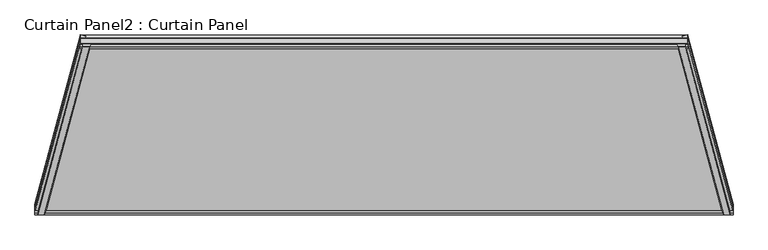
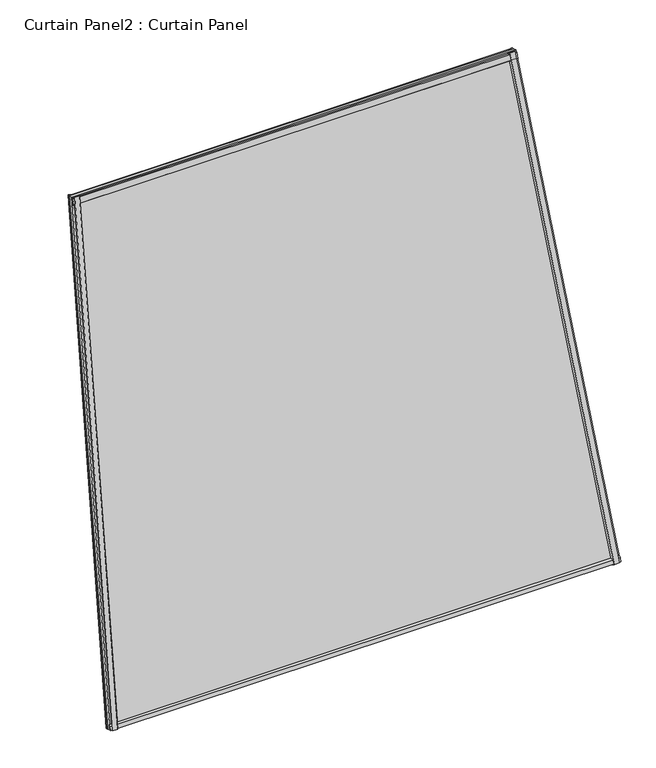
"""IFC4 building model written with IfcOpenShell, lengths in millimetres: plate geometry, Curtain Panel2 : Curtain Panel."""

from ifc_helpers import new_model, si_unit, frame, origin, place, context, project, spatial, polyline, outline, extrude, source, transform, mapped, element, save


def curtain_panel2_curtain_panel_ef3d8980(model_context):
    return source(origin(), model_context, "Body", "SweptSolid", [
        extrude(outline(polyline([(22.2919093, -5.9169736), (22.300702, -21.0371164), (17.5121094, -24.1270368), (17.5121093, -5.9197532), (22.2919093, -5.9169736)])), frame((-11431.7854007, -16628.1944638, 980.3279056), z_axis=(-0.06698729810777627, 0.24999999999999778, 0.9659258262890693), x_axis=(0.0, -0.9681003458863754, 0.25056280708572937)), (0.0, 0.0, 1.0), 1495.7735945),
        extrude(outline(polyline([(-1.6246791, -0.0480268), (4.7128906, -0.0480268), (4.7128906, -11.5262179), (-0.070259, -12.7641881), (-3.2524066, -0.4693137), (-1.6246791, -0.0480268)])), frame((-11431.7854007, -16628.1944638, 980.3279056), z_axis=(-0.06698729810777627, 0.24999999999999778, 0.9659258262890693), x_axis=(0.0, -0.9681003458863754, 0.25056280708572937)), (0.0, 0.0, 1.0), 1495.7735945),
        extrude(outline(polyline([(22.2794791, 5.8689469), (17.5015261, 5.8717254), (17.5121094, 24.0709891), (22.2882718, 20.9890896), (22.2794791, 5.8689469)])), frame((-12976.5499699, -16628.1944637, 980.3279056), z_axis=(0.06698729810778019, 0.24999999999999803, 0.965925826289069), x_axis=(0.0, -0.9681003458863754, 0.2505628070857295)), (0.0, 0.0, 1.0), 1495.7735944),
        extrude(outline(polyline([(-1.6371093, 0.0), (-3.2648368, 0.4212869), (-0.0826891, 12.7161613), (4.7128907, 11.474974), (4.7128907, 0.0), (-1.6371093, 0.0)])), frame((-12976.5499699, -16628.1944637, 980.3279056), z_axis=(0.06698729810778019, 0.24999999999999803, 0.965925826289069), x_axis=(0.0, -0.9681003458863754, 0.2505628070857295)), (0.0, 0.0, 1.0), 1495.7735944),
        extrude(outline(polyline([(-16632.7195509, 981.6535301), (-16629.8227296, 992.8459883), (-16625.4705518, 990.4563096), (-16628.0609461, 980.4477945), (-16632.7195509, 981.6535301)])), frame((-12976.529893, 0.0, 0.0), z_axis=(1.0, 0.0, 0.0), x_axis=(0.0, 1.0, 0.0)), (0.0, 0.0, 1.0), 1544.7244167),
        extrude(outline(polyline([(-16640.8642917, 1001.266546), (-16645.110479, 984.8605383), (-16649.8237989, 986.0804352), (-16646.7057426, 998.1276799), (-16640.8642917, 1001.266546)])), frame((-12976.529893, 0.0, 0.0), z_axis=(1.0, 0.0, 0.0), x_axis=(0.0, 1.0, 0.0)), (0.0, 0.0, 1.0), 1544.7244167),
        extrude(outline(polyline([(-16258.7634252, 2426.5090491), (-16251.7873875, 2422.6159466), (-16257.1811216, 2412.888387), (-16262.2386115, 2413.0819603), (-16258.7634252, 2426.5090491)])), frame((-12876.3320441, 0.0, 0.0), z_axis=(1.0, 0.0, 0.0), x_axis=(0.0, 1.0, 0.0)), (0.0, 0.0, 1.0), 1344.3287188),
        extrude(outline(polyline([(-16281.193918, 2409.5012467), (-16277.1606599, 2425.6687719), (-16272.1960537, 2425.6912358), (-16277.2574163, 2406.1356323), (-16281.193918, 2409.5012467)])), frame((-12876.3320441, 0.0, 0.0), z_axis=(1.0, 0.0, 0.0), x_axis=(0.0, 1.0, 0.0)), (0.0, 0.0, 1.0), 1344.3287188),
        extrude(outline(polyline([(-69.20151, 0.0), (-172.6797698, -1541.274731), (-1655.0294001, -1341.3291908), (-1564.9751044, -1e-07), (-69.20151, 0.0)])), frame((-11427.1598169, -16650.0199284, 914.8100044), z_axis=(0.0, -0.9681003458863753, 0.25056280708572937), x_axis=(0.06698729810777637, -0.24999999999999778, -0.9659258262890692)), (0.0, 0.0, 1.0), 12.7992187),
    ])


if __name__ == "__main__":
    model = new_model("IFC4")
    model_context = context("Model", 3, world=origin())
    ifc_project = project(units=[si_unit("LENGTHUNIT", "METRE", prefix="MILLI")], contexts=[model_context])
    site = spatial("IfcSite", under=ifc_project)
    building = spatial("IfcBuilding", under=site)
    placement = place(None, origin())
    curtain_panel2_curtain_panel_shape = curtain_panel2_curtain_panel_ef3d8980(model_context)
    element("IfcPlate", 1, ObjectType="Curtain Panel2 : Curtain Panel", at=placement, inside=building, context=model_context, shape_type="MappedRepresentation", body=[
        mapped(curtain_panel2_curtain_panel_shape, transform((0.0, 0.0, 0.0), x_axis=(1.0, 0.0, 0.0), y_axis=(0.0, 1.0, 0.0), z_axis=(0.0, 0.0, 1.0))),
    ])
    save(model, "model.ifc")
